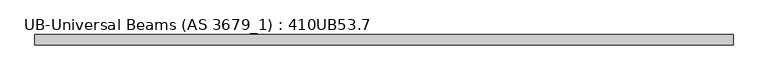
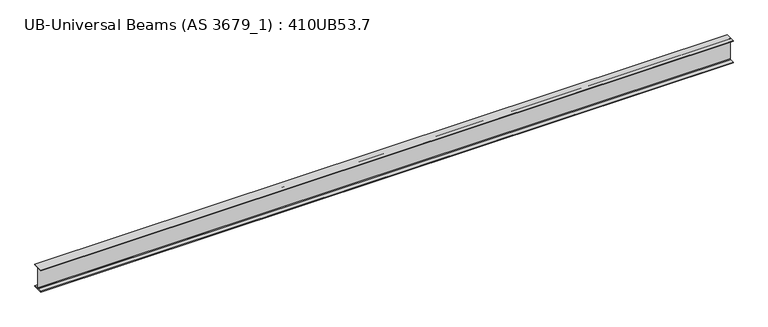
"""IFC4 building model written with IfcOpenShell, lengths in millimetres: beam geometry, UB-Universal Beams (AS 3679_1) : 410UB53.7."""

from ifc_helpers import new_model, si_unit, point, frame, frame_2d, origin, place, context, project, spatial, polyline, circle_curve, trimmed, segment, composite_curve, outline, extrude, source, transform, mapped, element, save


def ub_universal_beams_as_3679_1_410ub53_7_6d349e2c(model_context):
    return source(origin(), model_context, "Body", "SweptSolid", [
        extrude(outline(composite_curve([segment(polyline([(-89.0, -190.4), (-15.2, -190.4)]), True, "CONTINUOUS"), segment(trimmed(circle_curve(frame_2d((-15.2, -179.0)), 11.4), [point((-15.2, -190.4))], [point((-3.8, -179.0))], True, "CARTESIAN"), True, "CONTINUOUS"), segment(polyline([(-3.8, -179.0), (-3.8, 179.0)]), True, "CONTINUOUS"), segment(trimmed(circle_curve(frame_2d((-15.2, 179.0)), 11.4), [point((-3.8, 179.0))], [point((-15.2, 190.4))], True, "CARTESIAN"), True, "CONTINUOUS"), segment(polyline([(-15.2, 190.4), (-89.0, 190.4), (-89.0, 201.3), (89.0, 201.3), (89.0, 190.4), (15.2, 190.4)]), True, "CONTINUOUS"), segment(trimmed(circle_curve(frame_2d((15.2, 179.0)), 11.4), [point((15.2, 190.4))], [point((3.8, 179.0))], True, "CARTESIAN"), True, "CONTINUOUS"), segment(polyline([(3.8, 179.0), (3.8, -179.0)]), True, "CONTINUOUS"), segment(trimmed(circle_curve(frame_2d((15.2, -179.0)), 11.4), [point((3.8, -179.0))], [point((15.2, -190.4))], True, "CARTESIAN"), True, "CONTINUOUS"), segment(polyline([(15.2, -190.4), (89.0, -190.4), (89.0, -201.3), (-89.0, -201.3), (-89.0, -190.4)]), True, "CONTINUOUS")], self_intersect=False)), frame((-6007.5, 0.0, 0.0), z_axis=(1.0, 0.0, 0.0), x_axis=(0.0, 1.0, 0.0)), (0.0, 0.0, 1.0), 12002.2),
    ])


if __name__ == "__main__":
    model = new_model("IFC4")
    model_context = context("Model", 3, world=origin())
    ifc_project = project(units=[si_unit("LENGTHUNIT", "METRE", prefix="MILLI")], contexts=[model_context])
    site = spatial("IfcSite", under=ifc_project)
    building = spatial("IfcBuilding", under=site)
    placement = place(None, origin())
    ub_universal_beams_as_3679_1_410ub53_7_shape = ub_universal_beams_as_3679_1_410ub53_7_6d349e2c(model_context)
    element("IfcBeam", 1, ObjectType="UB-Universal Beams (AS 3679_1) : 410UB53.7", at=placement, inside=building, context=model_context, shape_type="MappedRepresentation", body=[
        mapped(ub_universal_beams_as_3679_1_410ub53_7_shape, transform((0.0, 0.0, 0.0), x_axis=(1.0, 0.0, 0.0), y_axis=(0.0, 1.0, 0.0), z_axis=(0.0, 0.0, 1.0))),
    ])
    save(model, "model.ifc")
